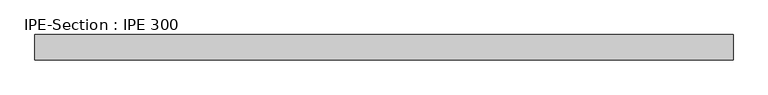
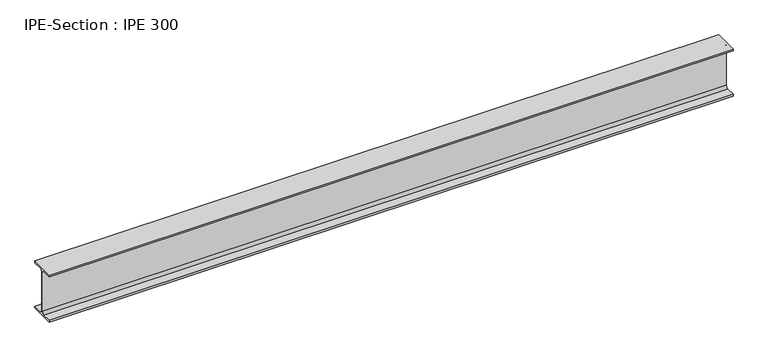
"""IFC4 building model written with IfcOpenShell, lengths in millimetres: beam geometry, IPE-Section : IPE 300."""

import ifcopenshell
import ifcopenshell.guid

model = None  # the IFC model being written
_history = None  # IfcOwnerHistory: only IFC2X3 demands one
_inside = {}  # id of a spatial element -> (the spatial element, [elements in it])
_under = {}  # id of a project, library or spatial element -> (it, [spatial elements below it])
_declared = {}  # id of a project -> (the project, [libraries it declares])
_typed = {}  # id of a type object -> (the type object, [elements of that type])
_made_of = {}  # id of a material, layer set ... -> (it, [elements and type objects made of it])


def new_model(schema):
    """Start an empty IFC model of exactly this schema.

    Asked for "IFC4X3", IfcOpenShell would pick the latest addendum, in which some entities
    have other attributes; the version numbers below select the first issue.
    IFC2X3 requires an IfcOwnerHistory on every rooted entity: one is made here for all.
    """
    global model, _history
    if schema == "IFC4X3":
        model = ifcopenshell.file(schema_version=(4, 3, 0, 0))
    else:
        model = ifcopenshell.file(schema=schema)
    _inside.clear()
    _under.clear()
    _declared.clear()
    _typed.clear()
    _made_of.clear()
    _history = None
    if model.schema == "IFC2X3":
        org = make("IfcOrganization", Name="unknown")
        user = make(
            "IfcPersonAndOrganization",
            ThePerson=make("IfcPerson", FamilyName="unknown"),
            TheOrganization=org,
        )
        app = make(
            "IfcApplication",
            ApplicationDeveloper=org,
            Version="unknown",
            ApplicationFullName="unknown",
            ApplicationIdentifier="unknown",
        )
        _history = make(
            "IfcOwnerHistory",
            OwningUser=user,
            OwningApplication=app,
            ChangeAction="ADDED",
            CreationDate=0,
        )
    return model


def make(cls, **values):
    """One entity of the class cls with the attributes given. An attribute that is None is left unset."""
    return model.create_entity(
        cls, **{name: value for name, value in values.items() if value is not None}
    )


def rooted(cls, **values):
    """An entity with a GlobalId (a new one), such as an element, a storey or a relation."""
    return make(cls, GlobalId=ifcopenshell.guid.new(), OwnerHistory=_history, **values)


def si_unit(unit_type, name, prefix=None):
    """IfcSIUnit, for example si_unit("LENGTHUNIT", "METRE", prefix="MILLI")."""
    return make("IfcSIUnit", UnitType=unit_type, Prefix=prefix, Name=name)


def assignment(units):
    """IfcUnitAssignment: the units of a project."""
    return None if units is None else make("IfcUnitAssignment", Units=units)


def point(xyz):
    """IfcCartesianPoint."""
    return None if xyz is None else make("IfcCartesianPoint", Coordinates=xyz)


def direction(xyz):
    """IfcDirection."""
    return None if xyz is None else make("IfcDirection", DirectionRatios=xyz)


def frame(location, z_axis=None, x_axis=None):
    """IfcAxis2Placement3D, a coordinate frame: its origin and axes. An axis left out is left unset."""
    return make(
        "IfcAxis2Placement3D",
        Location=point(location),
        Axis=direction(z_axis),
        RefDirection=direction(x_axis),
    )


def frame_2d(location, x_axis=None):
    """IfcAxis2Placement2D, a coordinate frame in the plane: its origin and x axis."""
    return make(
        "IfcAxis2Placement2D", Location=point(location), RefDirection=direction(x_axis)
    )


def origin():
    """The frame at (0, 0, 0) with its axes left unset."""
    return frame((0.0, 0.0, 0.0))


def place(relative_to, where):
    """IfcLocalPlacement: puts the frame where relative to a parent placement (None: the world)."""
    return make(
        "IfcLocalPlacement", PlacementRelTo=relative_to, RelativePlacement=where
    )


def context(
    kind, dimensions, precision=None, world=None, true_north=None, identifier=None
):
    """IfcGeometricRepresentationContext, for example the 3D "Model" context."""
    return make(
        "IfcGeometricRepresentationContext",
        ContextIdentifier=identifier,
        ContextType=kind,
        CoordinateSpaceDimension=dimensions,
        Precision=precision,
        WorldCoordinateSystem=world,
        TrueNorth=true_north,
    )


def project(units=None, contexts=None):
    """IfcProject with its units and contexts."""
    return rooted(
        "IfcProject",
        Name="project",
        RepresentationContexts=contexts,
        UnitsInContext=assignment(units),
    )


def spatial(cls, under=None, at=None, **own):
    """A site, building, storey or space (cls), placed at a placement, below another one or the project."""
    s = rooted(cls, ObjectPlacement=at, **own)
    if under is not None:
        _under.setdefault(under.id(), (under, []))[1].append(s)
    return s


def polyline(points):
    """IfcPolyline through the points."""
    return make("IfcPolyline", Points=[point(p) for p in points])


def circle_curve(where, radius):
    """IfcCircle in the frame where."""
    return make("IfcCircle", Position=where, Radius=radius)


def trimmed(basis, trim1, trim2, sense, master):
    """IfcTrimmedCurve: the piece of a basis curve between two trims."""
    return make(
        "IfcTrimmedCurve",
        BasisCurve=basis,
        Trim1=trim1,
        Trim2=trim2,
        SenseAgreement=sense,
        MasterRepresentation=master,
    )


def segment(curve, same_sense, transition):
    """IfcCompositeCurveSegment."""
    return make(
        "IfcCompositeCurveSegment",
        Transition=transition,
        SameSense=same_sense,
        ParentCurve=curve,
    )


def composite_curve(segments, self_intersect=None):
    """IfcCompositeCurve: segments joined end to end."""
    return make("IfcCompositeCurve", Segments=segments, SelfIntersect=self_intersect)


def outline(outer, holes=None, kind="AREA"):
    """IfcArbitraryClosedProfileDef: a profile drawn as a closed curve; with holes, ...WithVoids."""
    if holes is None:
        return make("IfcArbitraryClosedProfileDef", ProfileType=kind, OuterCurve=outer)
    return make(
        "IfcArbitraryProfileDefWithVoids",
        ProfileType=kind,
        OuterCurve=outer,
        InnerCurves=holes,
    )


def extrude(swept, where, along, depth):
    """IfcExtrudedAreaSolid: the profile swept, set in the frame where, extruded along a direction by depth."""
    return make(
        "IfcExtrudedAreaSolid",
        SweptArea=swept,
        Position=where,
        ExtrudedDirection=direction(along),
        Depth=depth,
    )


def shape(context_of_items, identifier, shape_type, items):
    """IfcShapeRepresentation: the items that make up one representation, for example the "Body"."""
    return make(
        "IfcShapeRepresentation",
        ContextOfItems=context_of_items,
        RepresentationIdentifier=identifier,
        RepresentationType=shape_type,
        Items=items,
    )


def source(mapping_origin, context_of_items, identifier, shape_type, items):
    """IfcRepresentationMap: a shape defined once, which mapped items show again and again."""
    return make(
        "IfcRepresentationMap",
        MappingOrigin=mapping_origin,
        MappedRepresentation=shape(context_of_items, identifier, shape_type, items),
    )


def transform(
    local_origin,
    x_axis=None,
    y_axis=None,
    z_axis=None,
    scale=None,
    scale2=None,
    scale3=None,
    uniform=True,
):
    """IfcCartesianTransformationOperator3D, or its non-uniform kind. x_axis, y_axis, z_axis: its Axis1, 2, 3."""
    if uniform:
        return make(
            "IfcCartesianTransformationOperator3D",
            Axis1=direction(x_axis),
            Axis2=direction(y_axis),
            LocalOrigin=point(local_origin),
            Scale=scale,
            Axis3=direction(z_axis),
        )
    return make(
        "IfcCartesianTransformationOperator3DnonUniform",
        Axis1=direction(x_axis),
        Axis2=direction(y_axis),
        LocalOrigin=point(local_origin),
        Scale=scale,
        Axis3=direction(z_axis),
        Scale2=scale2,
        Scale3=scale3,
    )


def mapped(mapping_source, mapping_target):
    """IfcMappedItem: shows the shape of a source again, moved by a transform."""
    return make(
        "IfcMappedItem", MappingSource=mapping_source, MappingTarget=mapping_target
    )


def made_of(thing, what):
    """Note that an element or type object is made of a material, layer set ...; save() writes the relation."""
    if what is not None:
        _made_of.setdefault(what.id(), (what, []))[1].append(thing)
    return thing


def element(
    cls,
    number,
    at=None,
    inside=None,
    cuts=None,
    type_object=None,
    material=None,
    context=None,
    identifier="Body",
    shape_type=None,
    held_by="IfcProductDefinitionShape",
    body=None,
    shapes=None,
    **own,
):
    """One element of the class cls, such as IfcWall. Its Tag is "e" and its number.

    at: its placement. inside: the storey or other place that contains it. cuts: it is an
    opening in that element (IfcRelVoidsElement). A single representation is given by context,
    identifier, shape_type and body (its items); several are given by shapes. held_by: the class
    of the entity that holds the representations. save() writes the other relations.
    """
    e = rooted(cls, Tag="e%d" % number, ObjectPlacement=at, **own)
    if body is not None:
        shapes = [shape(context, identifier, shape_type, body)]
    if shapes is not None:
        e.Representation = make(held_by, Representations=shapes)
    if inside is not None:
        _inside.setdefault(inside.id(), (inside, []))[1].append(e)
    if cuts is not None:
        rooted(
            "IfcRelVoidsElement", RelatingBuildingElement=cuts, RelatedOpeningElement=e
        )
    if type_object is not None:
        _typed.setdefault(type_object.id(), (type_object, []))[1].append(e)
    return made_of(e, material)


def aggregate(whole, parts):
    """IfcRelAggregates: a whole, such as a stair, and the parts it consists of."""
    return rooted("IfcRelAggregates", RelatingObject=whole, RelatedObjects=parts)


def save(model, path):
    """Write the relations noted so far, then the file.

    IfcRelAggregates (storeys below a building ...), IfcRelContainedInSpatialStructure (elements
    in a storey), IfcRelDefinesByType, IfcRelAssociatesMaterial and IfcRelDeclares: one each for
    every whole, place, type object, material and project.
    """
    for whole, parts in _under.values():
        aggregate(whole, parts)
    for where, things in _inside.values():
        rooted(
            "IfcRelContainedInSpatialStructure",
            RelatedElements=things,
            RelatingStructure=where,
        )
    for kind, things in _typed.values():
        rooted("IfcRelDefinesByType", RelatedObjects=things, RelatingType=kind)
    for what, things in _made_of.values():
        rooted("IfcRelAssociatesMaterial", RelatedObjects=things, RelatingMaterial=what)
    for by, libraries in _declared.values():
        rooted("IfcRelDeclares", RelatingContext=by, RelatedDefinitions=libraries)
    model.write(path)


def ipe_section_ipe_300_3d24b1d7(model_context):
    return source(origin(), model_context, "Body", "SweptSolid", [
        extrude(outline(composite_curve([segment(polyline([(-75.0, -139.3), (-18.55, -139.3)]), True, "CONTINUOUS"), segment(trimmed(circle_curve(frame_2d((-18.55, -124.3)), 15.0), [point((-18.55, -139.3))], [point((-3.55, -124.3))], True, "CARTESIAN"), True, "CONTINUOUS"), segment(polyline([(-3.55, -124.3), (-3.55, 124.3)]), True, "CONTINUOUS"), segment(trimmed(circle_curve(frame_2d((-18.55, 124.3)), 15.0), [point((-3.55, 124.3))], [point((-18.55, 139.3))], True, "CARTESIAN"), True, "CONTINUOUS"), segment(polyline([(-18.55, 139.3), (-75.0, 139.3), (-75.0, 150.0), (75.0, 150.0), (75.0, 139.3), (18.55, 139.3)]), True, "CONTINUOUS"), segment(trimmed(circle_curve(frame_2d((18.55, 124.3)), 15.0), [point((18.55, 139.3))], [point((3.55, 124.3))], True, "CARTESIAN"), True, "CONTINUOUS"), segment(polyline([(3.55, 124.3), (3.55, -124.3)]), True, "CONTINUOUS"), segment(trimmed(circle_curve(frame_2d((18.55, -124.3)), 15.0), [point((3.55, -124.3))], [point((18.55, -139.3))], True, "CARTESIAN"), True, "CONTINUOUS"), segment(polyline([(18.55, -139.3), (75.0, -139.3), (75.0, -150.0), (-75.0, -150.0), (-75.0, -139.3)]), True, "CONTINUOUS")], self_intersect=False)), frame((-2043.2166667, 0.0, 0.0), z_axis=(1.0, 0.0, 0.0), x_axis=(0.0, 1.0, 0.0)), (0.0, 0.0, 1.0), 4131.1333333),
    ])


if __name__ == "__main__":
    model = new_model("IFC4")
    model_context = context("Model", 3, world=origin())
    ifc_project = project(units=[si_unit("LENGTHUNIT", "METRE", prefix="MILLI")], contexts=[model_context])
    site = spatial("IfcSite", under=ifc_project)
    building = spatial("IfcBuilding", under=site)
    placement = place(None, origin())
    ipe_section_ipe_300_shape = ipe_section_ipe_300_3d24b1d7(model_context)
    element("IfcBeam", 1, ObjectType="IPE-Section : IPE 300", at=placement, inside=building, context=model_context, shape_type="MappedRepresentation", body=[
        mapped(ipe_section_ipe_300_shape, transform((0.0, 0.0, 0.0), x_axis=(1.0, 0.0, 0.0), y_axis=(0.0, 1.0, 0.0), z_axis=(0.0, 0.0, 1.0))),
    ])
    save(model, "model.ifc")
